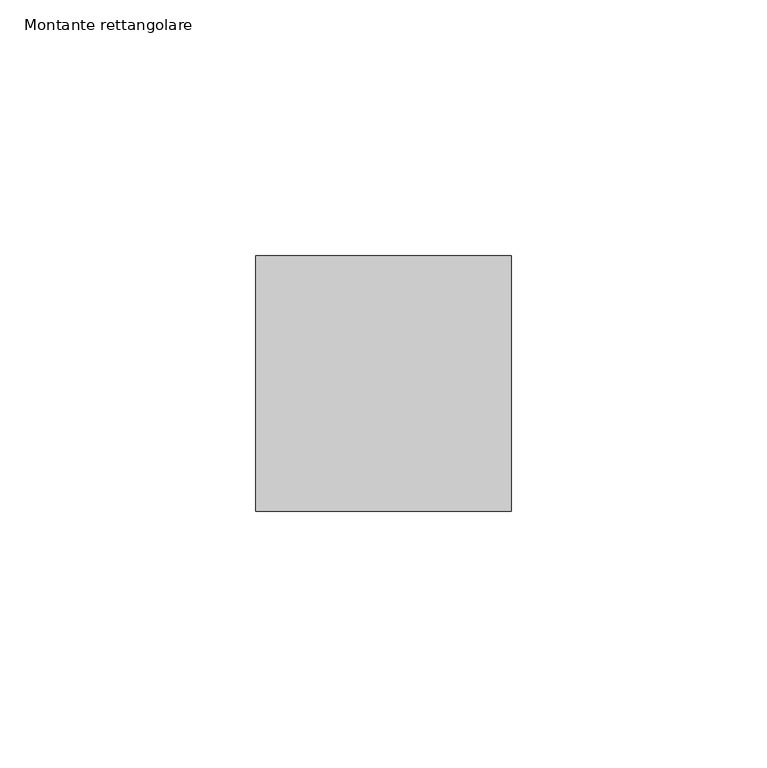
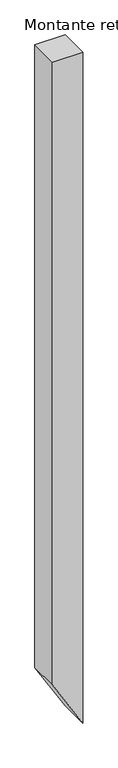
"""IFC4 building model written with IfcOpenShell, lengths in millimetres: member geometry, Montante rettangolare."""

from ifc_helpers import new_model, si_unit, frame, origin, place, context, project, spatial, polyline, outline, extrude, source, transform, mapped, element, save


def montante_rettangolare_a5fe38af(model_context):
    return source(origin(), model_context, "Body", "SweptSolid", [
        extrude(outline(polyline([(0.0, 0.0), (0.0, -50.0), (-1087.6965456, -50.0), (-1171.7389896, 0.0), (0.0, 0.0)])), frame((0.0, -25.0, 0.0), z_axis=(0.0, 1.0, 0.0), x_axis=(0.0, 0.0, 1.0)), (0.0, 0.0, 1.0), 50.0),
    ])


if __name__ == "__main__":
    model = new_model("IFC4")
    model_context = context("Model", 3, world=origin())
    ifc_project = project(units=[si_unit("LENGTHUNIT", "METRE", prefix="MILLI")], contexts=[model_context])
    site = spatial("IfcSite", under=ifc_project)
    building = spatial("IfcBuilding", under=site)
    placement = place(None, origin())
    montante_rettangolare_shape = montante_rettangolare_a5fe38af(model_context)
    element("IfcMember", 1, ObjectType="Montante rettangolare", at=placement, inside=building, context=model_context, shape_type="MappedRepresentation", body=[
        mapped(montante_rettangolare_shape, transform((0.0, 0.0, 0.0), x_axis=(1.0, 0.0, 0.0), y_axis=(0.0, 1.0, 0.0), z_axis=(0.0, 0.0, 1.0))),
    ])
    save(model, "model.ifc")
